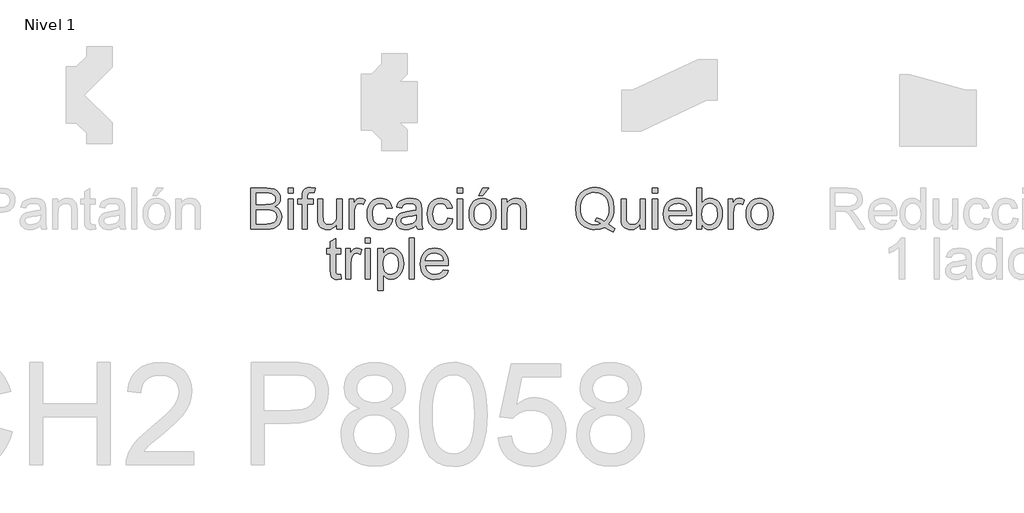
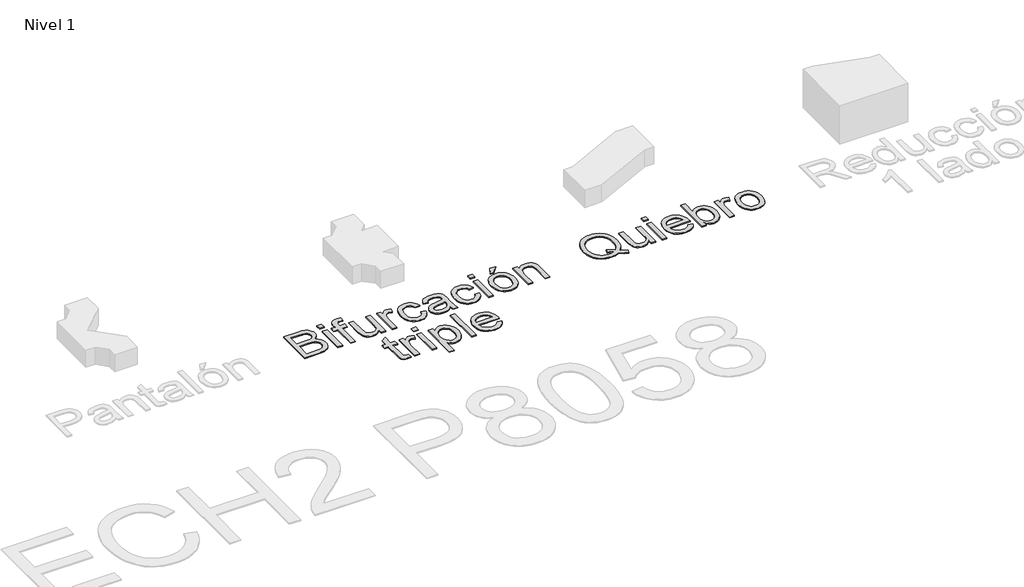
# One storey, part 5 of 7: 2 proxies.
"""IFC4 building model written with IfcOpenShell, lengths in millimetres."""

from ifc_helpers import new_model, si_unit, origin, origin_with_axes, place, context, project, spatial, polyline, outline, extrude, element, save

model = new_model("IFC4")

# Units and contexts
model_context = context("Model", 3, world=origin())
ifc_project = project(units=[si_unit("LENGTHUNIT", "METRE", prefix="MILLI")], contexts=[model_context])

# Site, building, storey
site = spatial("IfcSite", under=ifc_project)
building = spatial("IfcBuilding", under=site)
storey = spatial("IfcBuildingStorey", under=building, Name="Nivel 1", Elevation=0.0)

# Proxies
placement = place(None, origin())
element("IfcBuildingElementProxy", 1, Name="Texto de modelo 1", ObjectType="Texto de modelo 1", at=placement, inside=storey, context=model_context, shape_type="SweptSolid", body=[
    extrude(outline(polyline([(4202.1788661, -968.1567878), (4234.6260581, -992.9520343), (4264.4735506, -1010.0462843), (4250.9354932, -1046.8344838), (4209.5119805, -1027.6310437), (4168.2356207, -999.8436903), (4121.759862, -1016.9134149), (4070.6242646, -1022.6033231), (4044.3145706, -1020.9631825), (4019.2434126, -1016.0427608), (3995.4107907, -1007.842058), (3972.8167048, -996.3610741), (3952.1080142, -981.909443), (3933.931578, -964.7967989), (3918.2873961, -945.0231417), (3905.1754687, -922.5884713), (3894.8103935, -898.072202), (3887.4067683, -872.0537479), (3881.4838682, -815.5102853), (3887.3945056, -758.9177717), (3894.7828023, -732.6172747), (3905.1264177, -707.6472843), (3918.1984913, -684.7926153), (3933.7721624, -664.8380828), (3951.8474311, -647.7836866), (3972.4242974, -633.6294268), (3994.9018873, -622.5132592), (4018.6793269, -614.5731395), (4043.7566163, -609.8090677), (4070.1337553, -608.2210437), (4096.7346892, -609.8458559), (4121.9928539, -614.7202923), (4145.9082493, -622.844353), (4168.4808754, -634.218038), (4189.0792014, -648.5163849), (4207.0716966, -665.4144312), (4222.4583611, -684.912177), (4235.2391947, -707.0096222), (4245.2823732, -731.1549438), (4252.4560721, -756.7963188), (4258.1950312, -812.5672293), (4254.712415, -858.9448862), (4244.2645664, -900.3683988), (4226.7779089, -936.7887163), (4202.1788661, -968.1567878)]), holes=[polyline([(4084.4566277, -901.3494175), (4126.6894807, -917.3154961), (4160.7798789, -939.5110431), (4181.4241902, -916.2118501), (4196.1701269, -887.7132582), (4205.0176888, -854.0152674), (4207.9668762, -815.1178778), (4203.7975469, -770.9107247), (4191.2895591, -732.6632599), (4170.749481, -701.3442394), (4142.483881, -677.9224191), (4108.4057455, -663.3175039), (4070.4280609, -658.4491988), (4041.7823162, -660.9109425), (4015.68722, -668.2961735), (3992.1427723, -680.6048919), (3971.1489731, -697.8370977), (3953.8953076, -719.9560027), (3941.5712607, -746.9248186), (3934.1768326, -778.7435455), (3931.7120233, -815.4121834), (3934.1492415, -851.1243281), (3941.4608961, -882.4280202), (3953.6469872, -909.3232597), (3970.7075147, -931.8100467), (3991.5572268, -949.5572873), (4015.1108716, -962.2338877), (4041.368449, -969.8398479), (4070.329959, -972.375168), (4098.2154143, -969.799994), (4124.3840869, -962.0744721), (4098.6568727, -948.708093), (4071.5071814, -939.8053487), (4084.4566277, -901.3494175)])]), origin_with_axes(), (0.0, 0.0, 1.0), 10.0),
    extrude(outline(polyline([(4515.614326, -1016.3248037), (4515.614326, -965.6061393), (4497.4409554, -990.5424072), (4476.275478, -1008.3540271), (4452.1178936, -1019.0409991), (4424.9682024, -1022.6033231), (4400.5040497, -1020.1017255), (4377.7321542, -1012.5969328), (4358.6268159, -1001.3152183), (4345.1623349, -987.4828553), (4336.1001751, -970.6829108), (4330.2018004, -950.498452), (4327.2587445, -903.8019641), (4327.2587445, -721.2343926), (4377.4868995, -721.2343926), (4377.4868995, -880.1594145), (4380.5280574, -931.3685883), (4387.8489091, -948.4505756), (4400.3936851, -961.43681), (4417.3285196, -969.6405785), (4437.8195468, -972.375168), (4459.4877963, -969.5792648), (4479.7580942, -961.1915554), (4496.4721995, -947.9845917), (4507.4718712, -930.7309262), (4513.5787123, -907.1006393), (4515.614326, -874.763812), (4515.614326, -721.2343926), (4565.8424811, -721.2343926), (4565.8424811, -1016.3248037), (4515.614326, -1016.3248037)])), origin_with_axes(), (0.0, 0.0, 1.0), 10.0),
    extrude(outline(polyline([(4634.9061943, -664.7277182), (4634.9061943, -614.4995631), (4685.1343494, -614.4995631), (4685.1343494, -664.7277182), (4634.9061943, -664.7277182)])), origin_with_axes(), (0.0, 0.0, 1.0), 10.0),
    extrude(outline(polyline([(4634.9061943, -1016.3248037), (4634.9061943, -721.2343926), (4685.1343494, -721.2343926), (4685.1343494, -1016.3248037), (4634.9061943, -1016.3248037)])), origin_with_axes(), (0.0, 0.0, 1.0), 10.0),
    extrude(outline(polyline([(4967.0791105, -928.4255323), (5016.3262469, -934.7040517), (5008.775469, -954.428658), (4998.582072, -971.8110823), (4985.7460561, -986.8513245), (4970.2674211, -999.5493847), (4952.3055827, -1009.6354827), (4932.0199563, -1016.8398385), (4884.4773398, -1022.6033231), (4853.3116035, -1020.1170539), (4825.5426442, -1012.6582465), (4801.170462, -1000.2269007), (4780.1950569, -982.8230167), (4763.3276675, -960.9309723), (4751.2795321, -935.0351455), (4744.0506509, -905.1355363), (4741.6410238, -871.2321448), (4744.0751764, -836.179122), (4751.377634, -805.2831658), (4763.5483966, -778.5442761), (4780.5874644, -755.962453), (4801.5076872, -738.0220743), (4825.321915, -725.2075182), (4852.0301479, -717.5187845), (4881.6323857, -714.9558732), (4910.2811961, -717.5126531), (4936.1892856, -725.1829927), (4959.3566543, -737.966892), (4979.783302, -755.8643511), (4996.4575535, -778.3971233), (5008.3677331, -805.0869621), (5015.5138408, -835.9338674), (5017.8958767, -870.9378392), (5017.6015712, -884.4758966), (4791.8691789, -884.4758966), (4794.7785124, -904.519334), (4800.5634567, -922.0734365), (4809.224012, -937.1382042), (4820.7601783, -949.7136371), (4834.5342933, -959.6280569), (4849.908695, -966.7097853), (4885.4583585, -972.375168), (4912.1911168, -969.7509431), (4934.7054949, -961.8782684), (4953.0014928, -948.2666346), (4967.0791105, -928.4255323)]), holes=[polyline([(4791.8691789, -834.2477415), (4967.6677217, -834.2477415), (4960.8741675, -807.711187), (4947.5568393, -788.728476), (4933.8593663, -778.4277801), (4918.2734325, -771.0701402), (4900.7990377, -766.6555563), (4881.436182, -765.1840283), (4847.5787757, -769.8806551), (4819.5829559, -783.9705355), (4800.1219983, -805.9330907), (4791.8691789, -834.2477415)])]), origin_with_axes(), (0.0, 0.0, 1.0), 10.0),
    extrude(outline(polyline([(5118.3521869, -1016.3248037), (5068.1240318, -1016.3248037), (5068.1240318, -614.4995631), (5118.3521869, -614.4995631), (5118.3521869, -763.5162966), (5134.8700885, -742.2711114), (5153.5217056, -727.0959791), (5174.3070384, -717.9908997), (5197.2260867, -714.9558732), (5223.1004537, -717.6904627), (5247.5523436, -725.8942312), (5269.1838049, -739.0521439), (5286.596886, -756.649166), (5300.245308, -778.5136193), (5310.5827921, -804.4738254), (5317.0943034, -833.4506639), (5319.2648072, -864.3650142), (5317.0176613, -900.037305), (5310.2762238, -931.4176392), (5299.0404945, -958.5060168), (5283.3104735, -981.3024378), (5264.4289301, -999.3715751), (5243.7386336, -1012.2781017), (5221.2395839, -1020.0220177), (5196.9317811, -1022.6033231), (5173.2585747, -1019.273991), (5152.2709069, -1009.2859949), (5133.9687776, -992.6393346), (5118.3521869, -969.3340102), (5118.3521869, -1016.3248037)]), holes=[polyline([(5118.3521869, -866.719459), (5121.7857522, -908.6089555), (5132.0864481, -936.9603946), (5144.2572107, -952.454358), (5158.4022734, -963.5214747), (5174.5216362, -970.1617447), (5192.615299, -972.375168), (5207.6371471, -970.7442245), (5221.6044002, -965.851394), (5234.5170582, -957.6966764), (5246.3751212, -946.2800718), (5256.289541, -931.632237), (5263.3712694, -913.7838289), (5267.6203064, -892.7348474), (5269.0366521, -868.4852926), (5263.6042613, -822.5245686), (5256.8137728, -804.7313428), (5247.3070889, -790.3962077), (5235.8751559, -779.3658792), (5223.3089201, -771.4870732), (5209.6083815, -766.7597895), (5194.77354, -765.1840283), (5179.7516919, -766.8149718), (5165.7844388, -771.7078024), (5152.8717808, -779.8625199), (5141.0137178, -791.2791245), (5131.099298, -805.7798065), (5124.0175696, -823.1867562), (5119.7685326, -843.4999737), (5118.3521869, -866.719459)])]), origin_with_axes(), (0.0, 0.0, 1.0), 10.0),
    extrude(outline(polyline([(5375.7714817, -1016.3248037), (5375.7714817, -721.2343926), (5419.7211173, -721.2343926), (5419.7211173, -764.8897227), (5435.9569761, -739.5794415), (5450.9175105, -724.6679579), (5465.9270959, -717.3838944), (5482.3101075, -714.9558732), (5507.3260831, -718.8308969), (5532.7344663, -730.455968), (5515.9590473, -775.4847242), (5498.3007115, -767.7592023), (5480.6423757, -765.1840283), (5465.6450531, -767.6611004), (5452.2418857, -775.0923167), (5441.4138923, -786.9135915), (5434.1420916, -802.560839), (5428.0352504, -830.6179725), (5425.9996367, -861.2257545), (5425.9996367, -1016.3248037), (5375.7714817, -1016.3248037)])), origin_with_axes(), (0.0, 0.0, 1.0), 10.0),
    extrude(outline(polyline([(5551.5700244, -868.7795982), (5554.2862198, -830.5627902), (5562.434806, -797.6312203), (5576.015783, -769.9848884), (5595.0291508, -747.6237944), (5614.1712773, -733.3315789), (5635.2999665, -723.1228535), (5658.4152185, -716.9976183), (5683.5170334, -714.9558732), (5711.2277446, -717.4421424), (5736.2835742, -724.9009498), (5758.684522, -737.3322956), (5778.4305881, -754.7361797), (5794.5468852, -776.5239908), (5806.0585259, -802.1071179), (5812.9655104, -831.4855609), (5815.2678386, -864.6593198), (5811.1966111, -915.4025097), (5798.9829289, -954.0301192), (5778.9824111, -982.9579067), (5751.550677, -1004.6016308), (5718.968595, -1018.1029), (5683.5170334, -1022.6033231), (5655.4016519, -1020.126251), (5630.1128304, -1012.6950347), (5607.6505689, -1000.3096742), (5588.0148674, -982.9701695), (5572.0702486, -960.9708262), (5560.6812352, -934.6059498), (5553.8478271, -903.8755405), (5551.5700244, -868.7795982)]), holes=[polyline([(5601.7981795, -868.6814963), (5603.2513134, -893.0444814), (5607.610715, -914.1394482), (5614.8763844, -931.9663965), (5625.0483216, -946.5253265), (5637.4214194, -957.8346321), (5651.2905706, -965.9127076), (5666.6557752, -970.7595529), (5683.5170334, -972.375168), (5700.2924523, -970.7503559), (5715.5963433, -965.8759194), (5729.4287064, -957.7518587), (5741.7895414, -946.3781737), (5751.9614786, -931.6751566), (5759.227148, -913.5630997), (5763.5865496, -892.042003), (5765.0396835, -867.1118665), (5763.5773526, -843.5214335), (5759.1903598, -822.9782898), (5751.8787051, -805.4824352), (5741.6423886, -791.0338698), (5729.2355683, -779.7245642), (5715.4124023, -771.6464887), (5700.1728907, -766.7996434), (5683.5170334, -765.1840283), (5666.6557752, -766.793512), (5651.2905706, -771.6219632), (5637.4214194, -779.6693819), (5625.0483216, -790.935768), (5614.8763844, -805.4517784), (5607.610715, -823.2480699), (5603.2513134, -844.3246425), (5601.7981795, -868.6814963)])]), origin_with_axes(), (0.0, 0.0, 1.0), 10.0),
])
element("IfcBuildingElementProxy", 2, Name="Texto de modelo 1", ObjectType="Texto de modelo 1", at=placement, inside=storey, context=model_context, shape_type="SweptSolid", body=[
    extrude(outline(polyline([(704.7727051, -1016.3248037), (704.7727051, -614.4995631), (858.1059207, -614.4995631), (900.2774601, -617.4548818), (933.2028987, -626.3208379), (958.4396035, -641.3181605), (977.5449418, -662.667579), (989.5746831, -687.7816565), (993.5845968, -714.0729565), (990.2123452, -738.267329), (980.0955903, -761.014699), (963.1607558, -780.917115), (939.3342652, -796.5766252), (967.7960689, -811.4390578), (988.8266563, -834.0515378), (1001.8128908, -862.9180117), (1006.1416356, -896.5424261), (1003.1863169, -924.5627714), (994.3203608, -950.547503), (981.0888717, -972.6449481), (965.036954, -989.0034342), (945.3797927, -1000.8492344), (921.3325729, -1009.4086222), (892.1104798, -1014.5957583), (856.9286983, -1016.3248037), (704.7727051, -1016.3248037)]), holes=[polyline([(755.0008602, -777.7410671), (846.7261043, -777.7410671), (900.2897228, -773.424585), (919.0394418, -765.981106), (932.5161856, -754.8342815), (940.6463777, -740.1557899), (943.3564417, -722.1173094), (940.8303187, -704.6061264), (933.2519496, -689.3512864), (920.964691, -677.4441725), (904.3118993, -669.976168), (878.7563634, -666.0398306), (839.7608719, -664.7277182), (755.0008602, -664.7277182), (755.0008602, -777.7410671)]), polyline([(755.0008602, -966.0966486), (858.0078188, -966.0966486), (895.2865277, -964.1346113), (926.8262774, -953.1962533), (938.4022975, -943.7662115), (947.7219747, -930.8780789), (953.8656041, -915.1082041), (955.9134805, -897.0329354), (953.5099848, -876.0391362), (946.2994977, -857.988393), (933.7056707, -843.8739871), (915.1521554, -834.6891999), (888.8731182, -829.6492166), (853.1027256, -827.9692222), (755.0008602, -827.9692222), (755.0008602, -966.0966486)])]), origin_with_axes(), (0.0, 0.0, 1.0), 10.0),
    extrude(outline(polyline([(1068.9268294, -664.7277182), (1068.9268294, -614.4995631), (1119.1549845, -614.4995631), (1119.1549845, -664.7277182), (1068.9268294, -664.7277182)])), origin_with_axes(), (0.0, 0.0, 1.0), 10.0),
    extrude(outline(polyline([(1068.9268294, -1016.3248037), (1068.9268294, -721.2343926), (1119.1549845, -721.2343926), (1119.1549845, -1016.3248037), (1068.9268294, -1016.3248037)])), origin_with_axes(), (0.0, 0.0, 1.0), 10.0),
    extrude(outline(polyline([(1207.0542559, -1016.3248037), (1207.0542559, -771.4625477), (1163.1046202, -771.4625477), (1163.1046202, -721.2343926), (1207.0542559, -721.2343926), (1207.0542559, -691.5095274), (1208.378631, -666.9104847), (1212.3517566, -649.6200309), (1222.4562487, -632.9181883), (1238.0544453, -619.698962), (1259.8821104, -611.0905233), (1288.6750079, -608.2210437), (1334.488579, -613.7147482), (1327.1309391, -660.8036436), (1298.1908888, -658.4491988), (1279.0978133, -660.5338634), (1266.5530372, -666.7878573), (1259.6000675, -678.7317595), (1257.2824109, -697.8861487), (1257.2824109, -721.2343926), (1313.7890854, -721.2343926), (1313.7890854, -771.4625477), (1257.2824109, -771.4625477), (1257.2824109, -1016.3248037), (1207.0542559, -1016.3248037)])), origin_with_axes(), (0.0, 0.0, 1.0), 10.0),
    extrude(outline(polyline([(1546.0943026, -1016.3248037), (1546.0943026, -965.6061393), (1527.9209321, -990.5424072), (1506.7554546, -1008.3540271), (1482.5978703, -1019.0409991), (1455.448179, -1022.6033231), (1430.9840263, -1020.1017255), (1408.2121308, -1012.5969328), (1389.1067925, -1001.3152183), (1375.6423115, -987.4828553), (1366.5801517, -970.6829108), (1360.6817771, -950.498452), (1357.7387211, -903.8019641), (1357.7387211, -721.2343926), (1407.9668762, -721.2343926), (1407.9668762, -880.1594145), (1411.008034, -931.3685883), (1418.3288857, -948.4505756), (1430.8736617, -961.43681), (1447.8084962, -969.6405785), (1468.2995234, -972.375168), (1489.9677729, -969.5792648), (1510.2380708, -961.1915554), (1526.9521761, -947.9845917), (1537.9518478, -930.7309262), (1544.0586889, -907.1006393), (1546.0943026, -874.763812), (1546.0943026, -721.2343926), (1596.3224577, -721.2343926), (1596.3224577, -1016.3248037), (1546.0943026, -1016.3248037)])), origin_with_axes(), (0.0, 0.0, 1.0), 10.0),
    extrude(outline(polyline([(1665.3861709, -1016.3248037), (1665.3861709, -721.2343926), (1709.3358066, -721.2343926), (1709.3358066, -764.8897227), (1725.5716653, -739.5794415), (1740.5321998, -724.6679579), (1755.5417852, -717.3838944), (1771.9247967, -714.9558732), (1796.9407724, -718.8308969), (1822.3491555, -730.455968), (1805.5737366, -775.4847242), (1787.9154008, -767.7592023), (1770.257065, -765.1840283), (1755.2597423, -767.6611004), (1741.856575, -775.0923167), (1731.0285816, -786.9135915), (1723.7567808, -802.560839), (1717.6499397, -830.6179725), (1715.614326, -861.2257545), (1715.614326, -1016.3248037), (1665.3861709, -1016.3248037)])), origin_with_axes(), (0.0, 0.0, 1.0), 10.0),
    extrude(outline(polyline([(2042.097334, -909.5899742), (2092.3254891, -915.8684935), (2086.8624414, -939.5692911), (2078.3214478, -960.5416305), (2066.7025081, -978.7855118), (2052.0056224, -994.3009349), (2034.8500587, -1006.6832297), (2015.855085, -1015.527726), (1995.0207013, -1020.8344238), (1972.3469077, -1022.6033231), (1944.1763439, -1020.135448), (1918.9181793, -1012.7318229), (1896.5724137, -1000.3924476), (1877.1390473, -983.1173223), (1861.4090264, -961.2314092), (1850.1732971, -935.059671), (1843.4318595, -904.6021074), (1841.1847137, -869.8587187), (1845.0229492, -825.1610563), (1856.5376556, -786.4230822), (1875.912774, -755.1408499), (1903.3322454, -732.8104127), (1936.1350566, -719.4195081), (1971.6601946, -714.9558732), (1993.9446465, -716.4887149), (2014.1015142, -721.0872398), (2032.1307976, -728.7514481), (2048.0324968, -739.4813396), (2061.5368317, -753.0316597), (2072.3740222, -769.1571539), (2080.5440682, -787.857822), (2086.0469697, -809.133664), (2035.8188146, -815.4121834), (2026.7076039, -793.4986792), (2012.5196216, -777.790118), (1994.0396827, -768.3355507), (1972.0526021, -765.1840283), (1954.9859432, -766.7352641), (1939.5931474, -771.3889713), (1925.8742147, -779.14515), (1913.829145, -790.0038003), (1904.0220241, -804.216308), (1897.0169378, -822.0340593), (1892.813886, -843.4570542), (1891.4128688, -868.4852926), (1896.8943105, -915.5619252), (1903.7461126, -933.4992382), (1913.3386357, -947.7025489), (1925.144582, -958.4968197), (1938.6366542, -966.2070132), (1953.8148522, -970.8331293), (1970.679176, -972.375168), (1996.688433, -968.5246698), (2018.013326, -956.9731751), (2033.5256835, -937.4263785), (2042.097334, -909.5899742)])), origin_with_axes(), (0.0, 0.0, 1.0), 10.0),
    extrude(outline(polyline([(2324.6307063, -978.6536874), (2300.6325375, -999.2305537), (2275.9231301, -1012.6950347), (2249.9383985, -1020.126251), (2222.114257, -1022.6033231), (2199.7500973, -1021.113401), (2180.1389213, -1016.6436348), (2163.2807289, -1009.1940244), (2149.17552, -998.7645698), (2138.0378926, -986.0174587), (2130.0824445, -971.6148785), (2125.3091756, -955.5568295), (2123.718086, -937.8433114), (2126.1215817, -917.0211905), (2133.3320688, -898.1120559), (2144.4543678, -881.9252481), (2158.5932991, -869.2701075), (2175.2093026, -859.7051756), (2193.7628179, -852.7889941), (2237.2219442, -845.2351505), (2288.5782708, -837.2888994), (2324.3364007, -827.9692222), (2324.6307063, -816.7856095), (2321.1726155, -794.3693333), (2310.7983433, -779.7031044), (2287.5972521, -768.8137973), (2255.2726875, -765.1840283), (2225.3516185, -767.5997868), (2204.4559212, -774.8470621), (2190.2066252, -788.2502294), (2180.2247604, -809.133664), (2129.9966054, -802.8551446), (2138.7154087, -775.3866223), (2151.7261685, -753.8042119), (2170.2428956, -737.2985731), (2195.4796005, -725.0603654), (2226.3448999, -717.4819963), (2261.7474106, -714.9558732), (2295.7029187, -717.1876907), (2322.619618, -723.883143), (2342.9144414, -733.9508469), (2357.0043219, -746.2994192), (2366.3485245, -761.566522), (2372.4063147, -780.3898175), (2374.8588614, -824.3394531), (2374.8588614, -886.8303414), (2377.4095099, -974.0919506), (2387.4159001, -1016.3248037), (2337.1877451, -1016.3248037), (2329.1433921, -998.8626717), (2324.6307063, -978.6536874)]), holes=[polyline([(2324.6307063, -878.1973772), (2290.8836646, -886.5605613), (2243.5985655, -893.5993701), (2200.3846938, -901.7418249), (2189.1397675, -907.3091058), (2180.8133716, -914.9855768), (2175.6630237, -924.1826266), (2173.9462411, -934.3116442), (2177.6863747, -949.2476532), (2188.9067755, -961.4858609), (2207.362189, -969.6528412), (2232.8073603, -972.375168), (2259.7853733, -969.3707984), (2283.6241266, -960.3576895), (2302.950194, -947.0771495), (2316.3901496, -931.2704864), (2322.3498379, -914.9855768), (2324.3364007, -892.4221477), (2324.6307063, -878.1973772)])]), origin_with_axes(), (0.0, 0.0, 1.0), 10.0),
    extrude(outline(polyline([(2632.2781561, -909.5899742), (2682.5063112, -915.8684935), (2677.0432636, -939.5692911), (2668.5022699, -960.5416305), (2656.8833302, -978.7855118), (2642.1864445, -994.3009349), (2625.0308808, -1006.6832297), (2606.0359071, -1015.527726), (2585.2015235, -1020.8344238), (2562.5277298, -1022.6033231), (2534.357166, -1020.135448), (2509.0990014, -1012.7318229), (2486.7532359, -1000.3924476), (2467.3198695, -983.1173223), (2451.5898485, -961.2314092), (2440.3541192, -935.059671), (2433.6126817, -904.6021074), (2431.3655358, -869.8587187), (2435.2037713, -825.1610563), (2446.7184777, -786.4230822), (2466.0935962, -755.1408499), (2493.5130675, -732.8104127), (2526.3158788, -719.4195081), (2561.8410168, -714.9558732), (2584.1254686, -716.4887149), (2604.2823363, -721.0872398), (2622.3116197, -728.7514481), (2638.213319, -739.4813396), (2651.7176539, -753.0316597), (2662.5548443, -769.1571539), (2670.7248903, -787.857822), (2676.2277918, -809.133664), (2625.9996367, -815.4121834), (2616.888426, -793.4986792), (2602.7004437, -777.790118), (2584.2205048, -768.3355507), (2562.2334242, -765.1840283), (2545.1667653, -766.7352641), (2529.7739695, -771.3889713), (2516.0550368, -779.14515), (2504.0099671, -790.0038003), (2494.2028463, -804.216308), (2487.19776, -822.0340593), (2482.9947082, -843.4570542), (2481.5936909, -868.4852926), (2487.0751326, -915.5619252), (2493.9269348, -933.4992382), (2503.5194578, -947.7025489), (2515.3254042, -958.4968197), (2528.8174763, -966.2070132), (2543.9956743, -970.8331293), (2560.8599981, -972.375168), (2586.8692552, -968.5246698), (2608.1941482, -956.9731751), (2623.7065056, -937.4263785), (2632.2781561, -909.5899742)])), origin_with_axes(), (0.0, 0.0, 1.0), 10.0),
    extrude(outline(polyline([(2726.4559469, -664.7277182), (2726.4559469, -614.4995631), (2776.684102, -614.4995631), (2776.684102, -664.7277182), (2726.4559469, -664.7277182)])), origin_with_axes(), (0.0, 0.0, 1.0), 10.0),
    extrude(outline(polyline([(2726.4559469, -1016.3248037), (2726.4559469, -721.2343926), (2776.684102, -721.2343926), (2776.684102, -1016.3248037), (2726.4559469, -1016.3248037)])), origin_with_axes(), (0.0, 0.0, 1.0), 10.0),
    extrude(outline(polyline([(2933.6470866, -689.8417957), (2971.3182029, -614.4995631), (3034.1033967, -614.4995631), (2971.3182029, -689.8417957), (2933.6470866, -689.8417957)])), origin_with_axes(), (0.0, 0.0, 1.0), 10.0),
    extrude(outline(polyline([(2839.4692958, -868.7795982), (2842.1854912, -830.5627902), (2850.3340774, -797.6312203), (2863.9150544, -769.9848884), (2882.9284222, -747.6237944), (2902.0705486, -733.3315789), (2923.1992379, -723.1228535), (2946.3144899, -716.9976183), (2971.4163047, -714.9558732), (2999.127016, -717.4421424), (3024.1828456, -724.9009498), (3046.5837934, -737.3322956), (3066.3298595, -754.7361797), (3082.4461566, -776.5239908), (3093.9577973, -802.1071179), (3100.8647818, -831.4855609), (3103.1671099, -864.6593198), (3099.0958825, -915.4025097), (3086.8822003, -954.0301192), (3066.8816825, -982.9579067), (3039.4499484, -1004.6016308), (3006.8678663, -1018.1029), (2971.4163047, -1022.6033231), (2943.3009233, -1020.126251), (2918.0121018, -1012.6950347), (2895.5498403, -1000.3096742), (2875.9141388, -982.9701695), (2859.96952, -960.9708262), (2848.5805065, -934.6059498), (2841.7470985, -903.8755405), (2839.4692958, -868.7795982)]), holes=[polyline([(2889.6974509, -868.6814963), (2891.1505848, -893.0444814), (2895.5099864, -914.1394482), (2902.7756558, -931.9663965), (2912.947593, -946.5253265), (2925.3206907, -957.8346321), (2939.189842, -965.9127076), (2954.5550466, -970.7595529), (2971.4163047, -972.375168), (2988.1917237, -970.7503559), (3003.4956147, -965.8759194), (3017.3279777, -957.7518587), (3029.6888128, -946.3781737), (3039.8607499, -931.6751566), (3047.1264193, -913.5630997), (3051.485821, -892.042003), (3052.9389549, -867.1118665), (3051.4766239, -843.5214335), (3047.0896311, -822.9782898), (3039.7779765, -805.4824352), (3029.54166, -791.0338698), (3017.1348397, -779.7245642), (3003.3116737, -771.6464887), (2988.0721621, -766.7996434), (2971.4163047, -765.1840283), (2954.5550466, -766.793512), (2939.189842, -771.6219632), (2925.3206907, -779.6693819), (2912.947593, -790.935768), (2902.7756558, -805.4517784), (2895.5099864, -823.2480699), (2891.1505848, -844.3246425), (2889.6974509, -868.6814963)])]), origin_with_axes(), (0.0, 0.0, 1.0), 10.0),
    extrude(outline(polyline([(3159.6737844, -1016.3248037), (3159.6737844, -721.2343926), (3209.9019395, -721.2343926), (3209.9019395, -762.4371761), (3227.3518088, -741.6641061), (3248.3088198, -726.826199), (3272.7729725, -717.9234547), (3300.7442668, -714.9558732), (3325.5027251, -717.3471062), (3348.1765187, -724.5208051), (3367.0856533, -735.5817904), (3380.5501343, -749.6348827), (3389.6858705, -766.6432936), (3395.6087706, -786.570235), (3398.257521, -835.1306583), (3398.257521, -1016.3248037), (3348.0293659, -1016.3248037), (3348.0293659, -841.899687), (3346.5823634, -815.9272182), (3342.2413559, -797.459542), (3334.2337911, -784.2280529), (3321.7871169, -773.9641453), (3305.8333011, -767.3790576), (3287.3043113, -765.1840283), (3257.8860144, -770.1136471), (3232.808725, -784.9025033), (3222.7870064, -796.9751641), (3215.6286359, -813.4746716), (3211.3336136, -834.4010257), (3209.9019395, -859.7542265), (3209.9019395, -1016.3248037), (3159.6737844, -1016.3248037)])), origin_with_axes(), (0.0, 0.0, 1.0), 10.0),
    extrude(outline(polyline([(1583.7654189, -1462.3345786), (1590.0439383, -1505.6956031), (1552.4709239, -1510.5025945), (1528.3623905, -1508.4179298), (1510.3852236, -1502.1639359), (1497.6810321, -1492.5254276), (1489.3914244, -1480.2872199), (1484.8296877, -1459.2688953), (1483.3091088, -1423.2900361), (1483.3091088, -1259.3618191), (1445.6379925, -1259.3618191), (1445.6379925, -1209.133664), (1483.3091088, -1209.133664), (1483.3091088, -1137.4212004), (1533.5372639, -1107.8925389), (1533.5372639, -1209.133664), (1583.7654189, -1209.133664), (1583.7654189, -1259.3618191), (1533.5372639, -1259.3618191), (1533.5372639, -1421.8185082), (1536.1860142, -1447.7174006), (1544.7699274, -1456.889925), (1561.8887029, -1460.2744394), (1583.7654189, -1462.3345786)])), origin_with_axes(), (0.0, 0.0, 1.0), 10.0),
    extrude(outline(polyline([(1633.993574, -1504.2240751), (1633.993574, -1209.133664), (1677.9432097, -1209.133664), (1677.9432097, -1252.7889941), (1694.1790684, -1227.4787128), (1709.1396029, -1212.5672293), (1724.1491883, -1205.2831658), (1740.5321998, -1202.8551446), (1765.5481755, -1206.7301683), (1790.9565586, -1218.3552394), (1774.1811396, -1263.3839956), (1756.5228039, -1255.6584737), (1738.8644681, -1253.0832997), (1723.8671454, -1255.5603718), (1710.4639781, -1262.9915881), (1699.6359847, -1274.8128629), (1692.3641839, -1290.4601104), (1686.2573428, -1318.5172439), (1684.2217291, -1349.1250259), (1684.2217291, -1504.2240751), (1633.993574, -1504.2240751)])), origin_with_axes(), (0.0, 0.0, 1.0), 10.0),
    extrude(outline(polyline([(1822.3491555, -1504.2240751), (1822.3491555, -1209.133664), (1872.5773106, -1209.133664), (1872.5773106, -1504.2240751), (1822.3491555, -1504.2240751)])), origin_with_axes(), (0.0, 0.0, 1.0), 10.0),
    extrude(outline(polyline([(1822.3491555, -1152.6269896), (1822.3491555, -1102.3988345), (1872.5773106, -1102.3988345), (1872.5773106, -1152.6269896), (1822.3491555, -1152.6269896)])), origin_with_axes(), (0.0, 0.0, 1.0), 10.0),
    extrude(outline(polyline([(1947.9195432, -1617.237424), (1947.9195432, -1209.133664), (1998.1476983, -1209.133664), (1998.1476983, -1258.3808004), (2014.5307098, -1234.088326), (2032.8757586, -1216.7365586), (2054.2619653, -1206.3254981), (2079.7684503, -1202.8551446), (2113.7362212, -1207.711187), (2143.4365609, -1222.279314), (2167.6186707, -1245.6766089), (2185.0317518, -1277.0201549), (2195.5531769, -1314.0290836), (2199.0603186, -1354.4225266), (2195.0994558, -1397.3788809), (2183.2168673, -1435.798024), (2163.792698, -1467.7301812), (2137.2070925, -1491.2255779), (2106.2436912, -1505.6833403), (2073.6861346, -1510.5025945), (2050.5954081, -1507.2774956), (2029.9817536, -1497.6021992), (2012.3356806, -1482.997284), (1998.1476983, -1464.9833289), (1998.1476983, -1617.237424), (1947.9195432, -1617.237424)]), holes=[polyline([(1998.1476983, -1359.0333143), (2003.5800891, -1404.0620705), (2010.3705776, -1421.4996771), (2019.8772615, -1435.5527693), (2043.9244812, -1454.0940219), (2057.6863335, -1458.729335), (2072.6070141, -1460.2744394), (2087.7422925, -1458.6741527), (2101.7555309, -1453.8732927), (2114.6467291, -1445.8718593), (2126.4158873, -1434.6698525), (2136.2230081, -1420.1078569), (2143.2280945, -1402.0264568), (2147.4311463, -1380.4256523), (2148.8321635, -1355.3054434), (2143.3629845, -1310.5219419), (2136.5265108, -1292.9494452), (2126.9554475, -1278.5897847), (2102.945016, -1259.459921), (2089.3395135, -1254.677455), (2074.6671533, -1253.0832997), (2060.0407783, -1254.7786226), (2046.278926, -1259.8645911), (2021.3487895, -1280.2084655), (2011.1983121, -1295.3069557), (2003.9479711, -1313.4772606), (1999.5977665, -1334.7193801), (1998.1476983, -1359.0333143)])]), origin_with_axes(), (0.0, 0.0, 1.0), 10.0),
    extrude(outline(polyline([(2255.5669931, -1504.2240751), (2255.5669931, -1102.3988345), (2305.7951481, -1102.3988345), (2305.7951481, -1504.2240751), (2255.5669931, -1504.2240751)])), origin_with_axes(), (0.0, 0.0, 1.0), 10.0),
    extrude(outline(polyline([(2587.7399092, -1416.3248037), (2636.9870457, -1422.6033231), (2629.4362677, -1442.3279294), (2619.2428708, -1459.7103537), (2606.4068548, -1474.7505959), (2590.9282199, -1487.4486561), (2572.9663814, -1497.5347541), (2552.6807551, -1504.7391099), (2505.1381386, -1510.5025945), (2473.9724022, -1508.0163253), (2446.203443, -1500.5575179), (2421.8312608, -1488.1261721), (2400.8558557, -1470.722288), (2383.9884662, -1448.8302437), (2371.9403309, -1422.9344169), (2364.7114497, -1393.0348077), (2362.3018226, -1359.1314162), (2364.7359751, -1324.0783934), (2372.0384327, -1293.1824372), (2384.2091954, -1266.4435475), (2401.2482631, -1243.8617244), (2422.1684859, -1225.9213457), (2445.9827138, -1213.1067896), (2472.6909466, -1205.4180559), (2502.2931845, -1202.8551446), (2530.9419949, -1205.4119245), (2556.8500844, -1213.0822641), (2580.017453, -1225.8661634), (2600.4441008, -1243.7636225), (2617.1183522, -1266.2963947), (2629.0285318, -1292.9862334), (2636.1746396, -1323.8331387), (2638.5566755, -1358.8371106), (2638.2623699, -1372.375168), (2412.5299777, -1372.375168), (2415.4393111, -1392.4186054), (2421.2242555, -1409.9727079), (2429.8848108, -1425.0374756), (2441.420977, -1437.6129085), (2455.1950921, -1447.5273283), (2470.5694938, -1454.6090567), (2506.1191572, -1460.2744394), (2532.8519156, -1457.6502145), (2555.3662937, -1449.7775398), (2573.6622915, -1436.165906), (2587.7399092, -1416.3248037)]), holes=[polyline([(2412.5299777, -1322.1470129), (2588.3285204, -1322.1470129), (2581.5349662, -1295.6104583), (2568.217638, -1276.6277474), (2554.5201651, -1266.3270515), (2538.9342312, -1258.9694116), (2521.4598364, -1254.5548277), (2502.0969808, -1253.0832997), (2468.2395745, -1257.7799265), (2440.2437546, -1271.8698069), (2420.7827971, -1293.832362), (2412.5299777, -1322.1470129)])]), origin_with_axes(), (0.0, 0.0, 1.0), 10.0),
])

save(model, "model.ifc")
